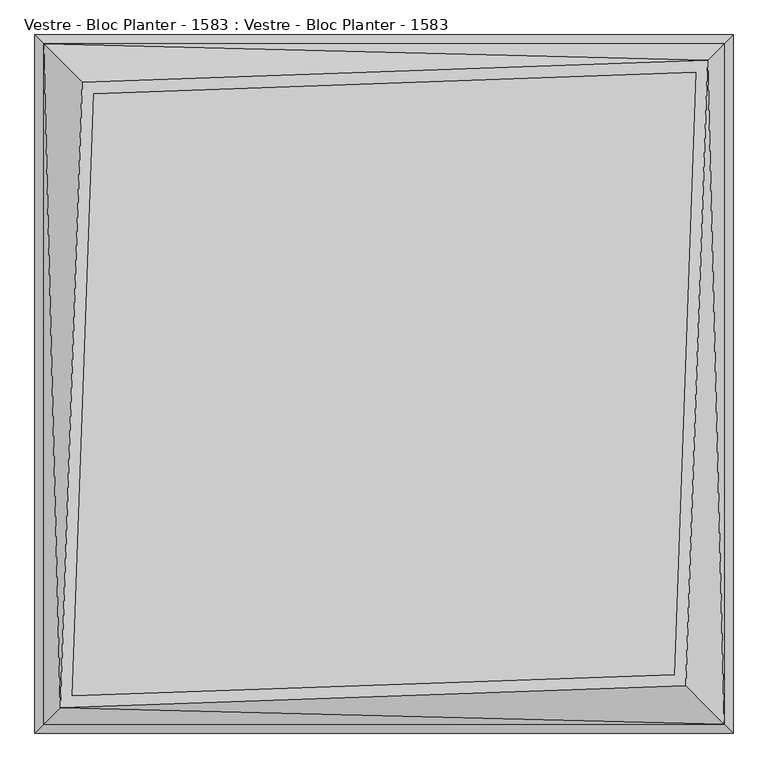
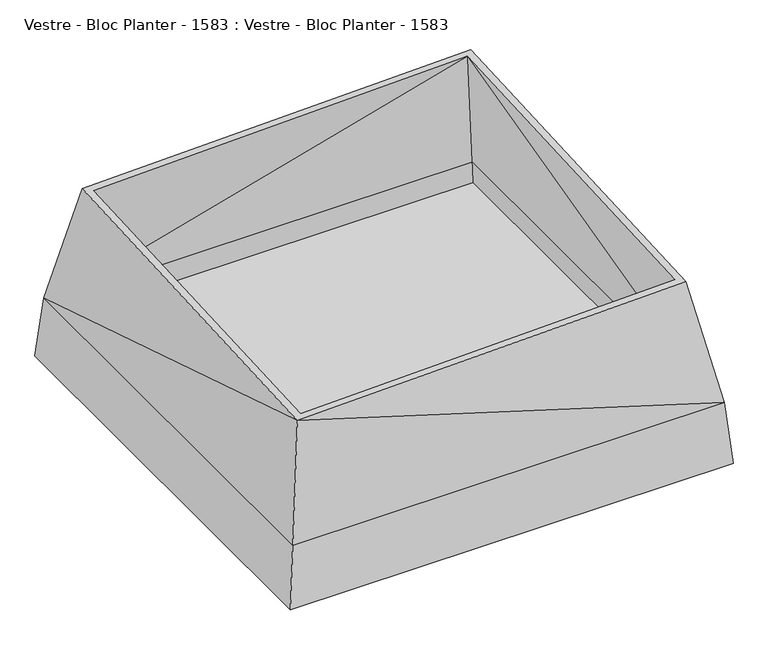
"""IFC4 building model written with IfcOpenShell, lengths in millimetres: furniture geometry, Vestre - Bloc Planter - 1583 : Vestre - Bloc Planter - 1583."""

from ifc_helpers import new_model, si_unit, frame, origin, place, context, project, spatial, polyline, circle_curve, source, transform, mapped, element, save
from ifc_brep_helpers import plane_surface, cylinder_surface, revolved_surface, advanced_brep


def vestre_bloc_planter_1583_vestre_bloc_planter_1583_9f91be68(model_context):
    return source(origin(), model_context, "Body", "AdvancedBrep", [
        advanced_brep(
        [(434.1081092, 504.8805791, 16.0), (435.5071225, 506.2795924, 17.9785036), (435.5071225, 506.2795924, 40.0), (446.820831, 517.5933009, 40.0), (446.820831, 517.5933009, 17.9982774), (434.094127, 504.8665969, 0.0), (364.7964444, 435.5689142, 0.0), (364.7964444, 435.5689142, 16.0), (504.8187873, 434.1699009, 16.0), (435.5071225, 364.8582361, 16.0), (435.5071225, 364.8582361, 0.0), (504.8048051, 434.1559187, 0.0), (517.5315091, 446.8826227, 17.9982774), (517.5315091, 446.8826227, 40.0), (506.2178006, 435.5689142, 40.0), (506.2178006, 435.5689142, 17.9785036), (580.0, 361.7867149, 40.0), (572.6056338, 369.181081, 124.0), (475.2520406, 466.5346743, 124.0), (466.5960126, 475.1907023, 124.0), (369.181081, 572.6056338, 124.0), (361.7867149, 580.0, 40.0), (384.4141318, 580.0, 40.0), (391.808498, 572.6056338, 124.0), (572.6056338, 391.808498, 124.0), (580.0, 384.4141318, 40.0), (475.2520406, 475.1907023, 124.0), (-600.0, -600.0, 40.0), (-600.0, 600.0, 40.0), (600.0, 600.0, 40.0), (600.0, -600.0, 40.0), (-361.7867149, 580.0, 40.0), (-435.5071225, 506.2795924, 40.0), (-446.820831, 517.5933009, 40.0), (-384.4141318, 580.0, 40.0), (-580.0, 580.0, 40.0), (-580.0, 384.4141318, 40.0), (-517.5315091, 446.8826227, 40.0), (-506.2178006, 435.5689142, 40.0), (-580.0, 361.7867149, 40.0), (-580.0, -361.7867149, 40.0), (-506.2178006, -435.5689142, 40.0), (-517.5315091, -446.8826227, 40.0), (-580.0, -384.4141318, 40.0), (-580.0, -580.0, 40.0), (-384.4141318, -580.0, 40.0), (-446.820831, -517.5933009, 40.0), (-435.5071225, -506.2795924, 40.0), (-361.7867149, -580.0, 40.0), (361.7867149, -580.0, 40.0), (435.5071225, -506.2795924, 40.0), (446.820831, -517.5933009, 40.0), (384.4141318, -580.0, 40.0), (580.0, -580.0, 40.0), (580.0, -384.4141318, 40.0), (517.5315091, -446.8826227, 40.0), (506.2178006, -435.5689142, 40.0), (580.0, -361.7867149, 40.0), (580.0, 580.0, 40.0), (572.6056338, -369.181081, 124.0), (475.2520406, -466.5346743, 124.0), (-466.5960126, 475.1907023, 124.0), (-369.181081, 572.6056338, 124.0), (572.6056338, 572.6056338, 124.0), (-572.6056338, -391.808498, 124.0), (-391.808498, -572.6056338, 124.0), (-572.6056338, -572.6056338, 124.0), (-475.2511336, -466.5355812, 124.0), (-572.6056338, -369.181081, 124.0), (-572.6056338, 369.181081, 124.0), (-475.2511336, 466.5355812, 124.0), (-369.181081, -572.6056338, 124.0), (-466.4742429, -475.3124719, 124.0), (466.4742429, -475.3124719, 124.0), (369.181081, -572.6056338, 124.0), (572.6056338, -391.808498, 124.0), (572.6056338, -572.6056338, 124.0), (391.808498, -572.6056338, 124.0), (-572.6056338, 391.808498, 124.0), (-572.6056338, 572.6056338, 124.0), (-391.808498, 572.6056338, 124.0), (475.2520406, 475.1907023, 140.0), (475.2520406, -475.3124719, 124.0), (475.2520406, -475.3124719, 140.0), (-475.2511336, -475.3124719, 124.0), (-475.2511336, -475.3124719, 140.0), (-475.2511336, 475.1907023, 124.0), (-475.2511336, 475.1907023, 140.0), (-435.5071225, -506.2795924, 17.9785036), (-434.1081092, -504.8805791, 16.0), (-504.8187873, -434.1699009, 16.0), (-506.2178006, -435.5689142, 17.9785036), (-364.7964444, -435.5689142, 16.0), (-435.5071225, -364.8582361, 16.0), (-364.7964444, -435.5689142, 0.0), (-435.5071225, -364.8582361, 0.0), (-434.094127, -504.8665969, 0.0), (-504.8048051, -434.1559187, 0.0), (-446.820831, -517.5933009, 17.9982774), (-517.5315091, -446.8826227, 17.9982774), (556.2556682, 556.2556682, 541.3944919), (585.0, -585.0, 210.4915996), (585.0078973, 585.0, 210.400686), (-556.2556682, -556.2556682, 541.3944919), (-585.0078422, -585.0078422, 210.4013211), (-585.0, 585.0, 210.4915996), (565.0, 564.9999992, 210.4000087), (-565.0, 564.9999992, 210.4000087), (-570.6690141, 570.6690141, 146.0), (570.6690141, 570.6690141, 146.0), (564.9999992, -565.0, 210.4000086), (570.6690141, -570.6690141, 146.0), (-565.0, -564.9999992, 210.4000085), (-570.6690141, -570.6690141, 146.0), (535.5167246, 535.5137792, 541.3944919), (-499.2680244, 499.1138865, 541.3944919), (499.2600051, -499.3840578, 541.3944919), (-535.5168874, -535.5192632, 541.3944919), (-518.6029813, 518.4461242, 541.3944919), (518.5948206, -518.7210621, 541.3944919), (446.820831, -517.5933009, 17.9982774), (517.5315091, -446.8826227, 17.9982774), (506.2178006, -435.5689142, 17.9785036), (435.5071225, -506.2795924, 17.9785036), (-446.820831, 517.5933009, 17.9982774), (-517.5315091, 446.8826227, 17.9982774), (-506.2178006, 435.5689142, 17.9785036), (-435.5071225, 506.2795924, 17.9785036), (434.1081092, -504.8805791, 16.0), (364.7964444, -435.5689142, 16.0), (364.7964444, -435.5689142, 0.0), (434.094127, -504.8665969, 0.0), (504.8187873, -434.1699009, 16.0), (504.8048051, -434.1559187, 0.0), (435.5071225, -364.8582361, 0.0), (435.5071225, -364.8582361, 16.0), (-434.1081092, 504.8805791, 16.0), (-364.7964444, 435.5689142, 16.0), (-364.7964444, 435.5689142, 0.0), (-434.094127, 504.8665969, 0.0), (-504.8187873, 434.1699009, 16.0), (-504.8048051, 434.1559187, 0.0), (-435.5071225, 364.8582361, 0.0), (-435.5071225, 364.8582361, 16.0)],
        [
            (0, 1, circle_curve(frame((434.1081092, 504.8805791, 17.9785036), z_axis=(0.7071067811863656, -0.7071067811867294, 0.0), x_axis=(0.0, 0.0, 1.0)), 1.9785036)),
            (1, 2),
            (2, 3),
            (3, 4),
            (4, 5, circle_curve(frame((434.094127, 504.8665969, 17.9982774), z_axis=(-0.7071067811863656, 0.7071067811867294, 0.0), x_axis=(0.0, 0.0, 1.0)), 17.9982774)),
            (5, 6),
            (6, 7),
            (7, 0),
            (8, 9),
            (9, 10),
            (10, 11),
            (11, 12, circle_curve(frame((504.8048051, 434.1559187, 17.9982774), z_axis=(0.7071067811863656, -0.7071067811867294, 0.0), x_axis=(0.0, 0.0, 1.0)), 17.9982774)),
            (12, 13),
            (13, 14),
            (14, 15),
            (15, 8, circle_curve(frame((504.8187873, 434.1699009, 17.9785036), z_axis=(-0.7071067811863656, 0.7071067811867294, 0.0), x_axis=(0.0, 0.0, 1.0)), 1.9785036)),
            (0, 8),
            (15, 1),
            (14, 16),
            (16, 17),
            (17, 18),
            (18, 19),
            (19, 20),
            (20, 21),
            (21, 2),
            (3, 22),
            (22, 23),
            (23, 24),
            (24, 25),
            (25, 13),
            (12, 4),
            (11, 5),
            (10, 6),
            (9, 7),
            (18, 26),
            (26, 19),
            (27, 28),
            (28, 29),
            (29, 30),
            (30, 27),
            (21, 31),
            (31, 32),
            (32, 33),
            (33, 34),
            (34, 35),
            (35, 36),
            (36, 37),
            (37, 38),
            (38, 39),
            (39, 40),
            (40, 41),
            (41, 42),
            (42, 43),
            (43, 44),
            (44, 45),
            (45, 46),
            (46, 47),
            (47, 48),
            (48, 49),
            (49, 50),
            (50, 51),
            (51, 52),
            (52, 53),
            (53, 54),
            (54, 55),
            (55, 56),
            (56, 57),
            (57, 16),
            (25, 58),
            (58, 22),
            (17, 59),
            (59, 60),
            (60, 18),
            (19, 61),
            (61, 62),
            (62, 20),
            (23, 63),
            (63, 24),
            (64, 65),
            (65, 66),
            (66, 64),
            (67, 68),
            (68, 69),
            (69, 70),
            (70, 67),
            (71, 72),
            (72, 73),
            (73, 74),
            (74, 71),
            (75, 76),
            (76, 77),
            (77, 75),
            (78, 79),
            (79, 80),
            (80, 78),
            (81, 26),
            (60, 82),
            (82, 83),
            (83, 81),
            (82, 73),
            (72, 84),
            (84, 85),
            (85, 83),
            (84, 67),
            (70, 86),
            (86, 87),
            (87, 85),
            (81, 87),
            (86, 61),
            (88, 89, circle_curve(frame((-434.1081092, -504.8805791, 17.9785036), z_axis=(0.7071067811863656, -0.7071067811867294, 0.0), x_axis=(0.0, 0.0, 1.0)), 1.9785036)),
            (89, 90),
            (90, 91, circle_curve(frame((-504.8187873, -434.1699009, 17.9785036), z_axis=(-0.7071067811863656, 0.7071067811867294, 0.0), x_axis=(0.0, 0.0, 1.0)), 1.9785036)),
            (91, 88),
            (89, 92),
            (92, 93),
            (93, 90),
            (92, 94),
            (94, 95),
            (95, 93),
            (94, 96),
            (96, 97),
            (97, 95),
            (96, 98, circle_curve(frame((-434.094127, -504.8665969, 17.9982774), z_axis=(-0.7071067811863656, 0.7071067811867294, 0.0), x_axis=(0.0, 0.0, 1.0)), 17.9982774)),
            (98, 99),
            (99, 97, circle_curve(frame((-504.8048051, -434.1559187, 17.9982774), z_axis=(0.7071067811863656, -0.7071067811867294, 0.0), x_axis=(0.0, 0.0, 1.0)), 17.9982774)),
            (99, 42),
            (41, 91),
            (88, 47),
            (46, 98),
            (45, 65),
            (64, 43),
            (40, 68),
            (67, 72),
            (71, 48),
            (100, 101),
            (101, 102),
            (102, 100),
            (101, 103),
            (103, 104),
            (104, 101),
            (103, 105),
            (105, 104),
            (102, 105),
            (105, 100),
            (62, 31),
            (58, 63),
            (106, 107),
            (107, 108),
            (108, 109),
            (109, 106),
            (79, 35),
            (34, 80),
            (57, 59),
            (110, 106),
            (109, 111),
            (111, 110),
            (53, 76),
            (75, 54),
            (44, 66),
            (74, 49),
            (52, 77),
            (112, 110),
            (111, 113),
            (113, 112),
            (39, 69),
            (78, 36),
            (107, 112),
            (113, 108),
            (110, 114),
            (114, 106),
            (107, 114),
            (114, 115),
            (115, 107),
            (110, 116),
            (116, 114),
            (112, 117),
            (117, 110),
            (107, 117),
            (117, 116),
            (115, 117),
            (103, 118),
            (118, 105),
            (118, 100),
            (100, 119),
            (119, 101),
            (119, 103),
            (105, 28),
            (27, 104),
            (102, 29),
            (101, 30),
            (60, 73),
            (51, 120),
            (120, 121),
            (121, 55),
            (56, 122),
            (122, 123),
            (123, 50),
            (70, 61),
            (33, 124),
            (124, 125),
            (125, 37),
            (38, 126),
            (126, 127),
            (127, 32),
            (128, 129),
            (129, 130),
            (130, 131),
            (131, 120, circle_curve(frame((434.094127, -504.8665969, 17.9982774), z_axis=(-0.7071067811863656, -0.7071067811867294, 0.0), x_axis=(0.0, 0.0, 1.0)), 17.9982774)),
            (123, 128, circle_curve(frame((434.1081092, -504.8805791, 17.9785036), z_axis=(0.7071067811863656, 0.7071067811867294, 0.0), x_axis=(0.0, 0.0, 1.0)), 1.9785036)),
            (132, 122, circle_curve(frame((504.8187873, -434.1699009, 17.9785036), z_axis=(-0.7071067811863656, -0.7071067811867294, 0.0), x_axis=(0.0, 0.0, 1.0)), 1.9785036)),
            (121, 133, circle_curve(frame((504.8048051, -434.1559187, 17.9982774), z_axis=(0.7071067811863656, 0.7071067811867294, 0.0), x_axis=(0.0, 0.0, 1.0)), 17.9982774)),
            (133, 134),
            (134, 135),
            (135, 132),
            (132, 128),
            (131, 133),
            (130, 134),
            (129, 135),
            (136, 137),
            (137, 138),
            (138, 139),
            (139, 124, circle_curve(frame((-434.094127, 504.8665969, 17.9982774), z_axis=(0.7071067811863656, 0.7071067811867294, 0.0), x_axis=(0.0, 0.0, 1.0)), 17.9982774)),
            (127, 136, circle_curve(frame((-434.1081092, 504.8805791, 17.9785036), z_axis=(-0.7071067811863656, -0.7071067811867294, 0.0), x_axis=(0.0, 0.0, 1.0)), 1.9785036)),
            (140, 126, circle_curve(frame((-504.8187873, 434.1699009, 17.9785036), z_axis=(0.7071067811863656, 0.7071067811867294, 0.0), x_axis=(0.0, 0.0, 1.0)), 1.9785036)),
            (125, 141, circle_curve(frame((-504.8048051, 434.1559187, 17.9982774), z_axis=(-0.7071067811863656, -0.7071067811867294, 0.0), x_axis=(0.0, 0.0, 1.0)), 17.9982774)),
            (141, 142),
            (142, 143),
            (143, 140),
            (140, 136),
            (139, 141),
            (138, 142),
            (137, 143),
        ],
        [
            plane_surface(frame((434.1081092, 504.8805791, 19.9570072), z_axis=(-0.7071067811863656, 0.7071067811867294, 0.0), x_axis=(-0.7071067811867294, -0.7071067811863656, 0.0))),
            plane_surface(frame((504.8187873, 434.1699009, 19.9570072), z_axis=(0.7071067811863656, -0.7071067811867294, 0.0), x_axis=(0.7071067811867294, 0.7071067811863656, 0.0))),
            revolved_surface(polyline([(504.8187873, 434.1699009, 19.9570072), (434.1081091500178, 504.8805790500186, 19.9570072)]), (504.8187873, 434.1699009, 17.9785036), (0.7071067811863656, -0.7071067811867294, 0.0)),
            plane_surface(frame((435.5071225, 506.2795924, 17.9785036), z_axis=(-0.7071067811867295, -0.7071067811863655, 0.0), x_axis=(0.7071067811863655, -0.7071067811867295, 0.0))),
            plane_surface(frame((446.820831, 517.5933009, 40.0), z_axis=(0.7071067811867295, 0.7071067811863655, 0.0), x_axis=(0.7071067811863655, -0.7071067811867295, 0.0))),
            cylinder_surface(frame((504.8048051, 434.1559187, 17.9982774), z_axis=(-0.7071067811863656, 0.7071067811867294, 0.0), x_axis=(0.0, 0.0, 1.0)), 17.9982774),
            plane_surface(frame((434.094127, 504.8665969, 0.0), z_axis=(0.0, 0.0, -1.0), x_axis=(0.7071067811863655, -0.7071067811867295, 0.0))),
            plane_surface(frame((364.7964444, 435.5689142, 0.0), z_axis=(-0.7071067811867295, -0.7071067811863655, 0.0), x_axis=(0.7071067811863655, -0.7071067811867295, 0.0))),
            plane_surface(frame((364.7964444, 435.5689142, 16.0), z_axis=(0.0, 0.0, 1.0), x_axis=(0.7071067811863655, -0.7071067811867295, 0.0))),
            plane_surface(frame((580.0, 384.4141318, 124.0), z_axis=(0.0, 0.0, 1.0), x_axis=(-0.7071067811865459, 0.7071067811865491, 0.0))),
            plane_surface(frame((580.0, 384.4141318, 40.0), z_axis=(0.0, 0.0, -1.0), x_axis=(0.7071067811865459, -0.7071067811865491, 0.0))),
            plane_surface(frame((475.2520406, 475.1907023, 124.0), z_axis=(0.0, 0.0, -1.0), x_axis=(0.0, 1.0, 0.0))),
            plane_surface(frame((475.2520406, 475.1907023, 140.0), z_axis=(-1.0, 0.0, 0.0), x_axis=(0.0, 0.0, -1.0))),
            plane_surface(frame((475.2520406, -475.3124719, 140.0), z_axis=(0.0, 1.0, 0.0), x_axis=(0.0, 0.0, -1.0))),
            plane_surface(frame((-475.2511336, -475.3124719, 140.0), z_axis=(1.0, 0.0, 0.0), x_axis=(0.0, 0.0, -1.0))),
            plane_surface(frame((-475.2511336, 475.1907023, 140.0), z_axis=(0.0, -1.0, 0.0), x_axis=(0.0, 0.0, -1.0))),
            revolved_surface(polyline([(-504.8187873, -434.1699009, 19.9570072), (-434.1081091500178, -504.8805790500186, 19.9570072)]), (-504.8187873, -434.1699009, 17.9785036), (-0.7071067811863657, 0.7071067811867295, 0.0)),
            plane_surface(frame((-364.7964444, -435.5689142, 16.0), z_axis=(0.0, 0.0, 1.0000000000000002), x_axis=(-0.7071067811863658, 0.7071067811867293, 0.0))),
            plane_surface(frame((-364.7964444, -435.5689142, 0.0), z_axis=(0.7071067811867296, 0.7071067811863655, 0.0), x_axis=(-0.7071067811863655, 0.7071067811867296, 0.0))),
            plane_surface(frame((-434.094127, -504.8665969, 0.0), z_axis=(0.0, 0.0, -1.0000000000000002), x_axis=(-0.7071067811863655, 0.7071067811867296, 0.0))),
            cylinder_surface(frame((-504.8048051, -434.1559187, 17.9982774), z_axis=(0.7071067811863657, -0.7071067811867295, 0.0), x_axis=(0.0, 0.0, 1.0)), 17.9982774),
            plane_surface(frame((-504.8048051, -434.1559187, 35.9965548), z_axis=(-0.7071067811863656, 0.7071067811867294, 0.0), x_axis=(0.7071067811867294, 0.7071067811863656, 0.0))),
            plane_surface(frame((-434.094127, -504.8665969, 35.9965548), z_axis=(0.7071067811863656, -0.7071067811867294, 0.0), x_axis=(-0.7071067811867294, -0.7071067811863656, 0.0))),
            plane_surface(frame((-583.9177279, -380.4964039, 124.0), z_axis=(-0.7071067811865542, -0.7071067811865409, 0.0), x_axis=(0.0, 0.0, -1.0))),
            plane_surface(frame((-357.7253766, -584.0613383, 124.0), z_axis=(0.7071067811865536, 0.7071067811865416, 0.0), x_axis=(0.0, 0.0, -1.0))),
            plane_surface(frame((-357.7253766, -584.0613383, 124.0), z_axis=(0.0, 0.0, 1.0), x_axis=(0.999993509692954, -0.0036028560848389473, 0.0))),
            plane_surface(frame((585.0, 0.0, 210.4915996), z_axis=(0.9962483358091488, 0.0, 0.08654047259809469), x_axis=(0.0, 1.0, 0.0))),
            plane_surface(frame((0.0, -585.0, 210.4915996), z_axis=(0.0, -0.9962483358091565, 0.08654047259800551), x_axis=(1.0, 0.0, 0.0))),
            plane_surface(frame((-585.0, 0.0, 210.4915996), z_axis=(-0.9962483358091578, 0.0, 0.08654047259799116), x_axis=(0.0, -1.0, 0.0))),
            plane_surface(frame((0.0, 585.0, 210.4915996), z_axis=(0.0, 0.996248335809155, 0.08654047259802371), x_axis=(-1.0, 0.0, 0.0))),
            plane_surface(frame((0.0, 580.0, 40.0), z_axis=(0.0, -0.996147893688272, -0.08768907514861532), x_axis=(-1.0, 0.0, 0.0))),
            plane_surface(frame((580.0, 0.0, 40.0), z_axis=(-0.996147893688272, 0.0, -0.08768907514861532), x_axis=(0.0, 1.0, 0.0))),
            plane_surface(frame((0.0, -580.0, 40.0), z_axis=(0.0, 0.9961478936882717, -0.08768907514861608), x_axis=(1.0, 0.0, 0.0))),
            plane_surface(frame((-580.0, 0.0, 40.0), z_axis=(0.996147893688272, 0.0, -0.08768907514861532), x_axis=(0.0, -1.0, 0.0))),
            plane_surface(frame((565.0, 0.0, 210.4915996), z_axis=(-0.9960541198327189, 0.0, -0.08874790343589993), x_axis=(0.0, 1.0, 0.0))),
            plane_surface(frame((-565.0, 565.0, 210.4915996), z_axis=(0.03443177463404438, -0.9788346233479017, -0.2017355522235041), x_axis=(-0.9993818877318187, -0.035154551249968906, 0.0))),
            plane_surface(frame((565.0, -565.0, 210.4915996), z_axis=(-0.9789323947436813, 0.03429602027575473, -0.20128375372753354), x_axis=(0.03501262451242775, 0.9993868700982377, 0.0))),
            plane_surface(frame((0.0, -565.0, 210.4915996), z_axis=(0.0, 0.9960547952839441, -0.08874032224338829), x_axis=(1.0, 0.0, 0.0))),
            plane_surface(frame((-565.0, 0.0, 210.4915996), z_axis=(0.996054163145077, 0.0, -0.08874741732219783), x_axis=(0.0, -1.0, 0.0))),
            plane_surface(frame((565.0, -565.0, 210.4915996), z_axis=(-0.034187788718858046, 0.979010176936022, -0.20092353908443397), x_axis=(0.9993908270190959, 0.03489949670250104, 0.0))),
            plane_surface(frame((-565.0, 565.0, 210.4915996), z_axis=(0.9789314542431133, -0.034297327693142074, -0.201288104980331), x_axis=(-0.035013991209692535, -0.9993868222162866, 0.0))),
            plane_surface(frame((0.0, 565.0, 210.4915996), z_axis=(0.0, -0.9960533360535415, -0.08875669967169136), x_axis=(-1.0, 0.0, 0.0))),
            plane_surface(frame((-585.0, 585.0, 210.4915996), z_axis=(-0.9785283564043936, 0.03428320496921996, 0.20324103318364276), x_axis=(-0.03501399120969255, -0.9993868222162866, 0.0))),
            plane_surface(frame((-585.0, 585.0, 210.4915996), z_axis=(-0.03441751028806573, 0.9784291131506576, 0.20369561979774825), x_axis=(-0.9993818877318187, -0.035154551249968906, 0.0))),
            plane_surface(frame((585.0, -585.0, 210.4915996), z_axis=(0.9785293203340363, -0.0342818989245766, 0.203236612480956), x_axis=(0.03501262451242776, 0.9993868700982377, 0.0))),
            plane_surface(frame((585.0, -585.0, 210.4915996), z_axis=(0.03417378071062205, -0.9786090400641869, 0.20287064700590252), x_axis=(0.9993908270190959, 0.03489949670250104, 0.0))),
            plane_surface(frame((-0.0020402, -0.0687345, 541.3944919), z_axis=(0.0, 0.0, 1.0), x_axis=(0.03501262451242776, 0.9993868700982377, 0.0))),
            plane_surface(frame((-600.0, 0.0, 40.0), z_axis=(-0.996147893688272, 0.0, 0.08768907514861532), x_axis=(0.0, -1.0, 0.0))),
            plane_surface(frame((0.0, 600.0, 40.0), z_axis=(0.0, 0.996147893688272, 0.08768907514861532), x_axis=(-1.0, 0.0, 0.0))),
            plane_surface(frame((600.0, 0.0, 40.0), z_axis=(0.996147893688272, 0.0, 0.08768907514861532), x_axis=(0.0, 1.0, 0.0))),
            plane_surface(frame((0.0, -600.0, 40.0), z_axis=(0.0, -0.9961478936882717, 0.08768907514861608), x_axis=(1.0, 0.0, 0.0))),
            plane_surface(frame((580.0, -361.7867149, 124.0), z_axis=(0.0, 0.0, 1.0), x_axis=(0.0, 1.0, 0.0))),
            plane_surface(frame((384.4141318, -580.0, 124.0), z_axis=(0.7071067811865491, -0.7071067811865459, 0.0), x_axis=(0.0, 0.0, -1.0))),
            plane_surface(frame((580.0, -361.7867149, 124.0), z_axis=(-0.707106781186549, 0.7071067811865461, 0.0), x_axis=(0.0, 0.0, -1.0))),
            plane_surface(frame((-580.0, 361.7867149, 124.0), z_axis=(0.0, 0.0, 1.0), x_axis=(0.0, -1.0, 0.0))),
            plane_surface(frame((-384.4141318, 580.0, 124.0), z_axis=(-0.7071067811865491, 0.7071067811865459, 0.0), x_axis=(0.0, 0.0, -1.0))),
            plane_surface(frame((-580.0, 361.7867149, 124.0), z_axis=(0.707106781186549, -0.7071067811865461, 0.0), x_axis=(0.0, 0.0, -1.0))),
            plane_surface(frame((364.7964444, -435.5689142, 16.0), z_axis=(-0.7071067811863656, -0.7071067811867294, 0.0), x_axis=(-0.7071067811867294, 0.7071067811863656, 0.0))),
            plane_surface(frame((435.5071225, -364.8582361, 16.0), z_axis=(0.7071067811863656, 0.7071067811867294, 0.0), x_axis=(0.7071067811867294, -0.7071067811863656, 0.0))),
            revolved_surface(polyline([(504.8187873, -434.1699009, 19.9570072), (434.1081091500178, -504.8805790500186, 19.9570072)]), (504.8187873, -434.1699009, 17.9785036), (0.7071067811863656, 0.7071067811867294, 0.0)),
            cylinder_surface(frame((504.8048051, -434.1559187, 17.9982774), z_axis=(-0.7071067811863656, -0.7071067811867294, 0.0), x_axis=(0.0, 0.0, 1.0)), 17.9982774),
            plane_surface(frame((364.7964444, -435.5689142, 0.0), z_axis=(0.0, 0.0, -1.0), x_axis=(0.7071067811863655, 0.7071067811867295, 0.0))),
            plane_surface(frame((364.7964444, -435.5689142, 16.0), z_axis=(-0.7071067811867295, 0.7071067811863655, 0.0), x_axis=(0.7071067811863655, 0.7071067811867295, 0.0))),
            plane_surface(frame((434.1081092, -504.8805791, 16.0), z_axis=(0.0, 0.0, 1.0), x_axis=(0.7071067811863655, 0.7071067811867295, 0.0))),
            plane_surface(frame((-364.7964444, 435.5689142, 16.0), z_axis=(0.7071067811863656, 0.7071067811867294, 0.0), x_axis=(0.7071067811867294, -0.7071067811863656, 0.0))),
            plane_surface(frame((-435.5071225, 364.8582361, 16.0), z_axis=(-0.7071067811863656, -0.7071067811867294, 0.0), x_axis=(-0.7071067811867294, 0.7071067811863656, 0.0))),
            revolved_surface(polyline([(-504.8187873, 434.1699009, 19.9570072), (-434.1081091500178, 504.8805790500186, 19.9570072)]), (-504.8187873, 434.1699009, 17.9785036), (-0.7071067811863656, -0.7071067811867294, 0.0)),
            cylinder_surface(frame((-504.8048051, 434.1559187, 17.9982774), z_axis=(0.7071067811863656, 0.7071067811867294, 0.0), x_axis=(0.0, 0.0, 1.0)), 17.9982774),
            plane_surface(frame((-364.7964444, 435.5689142, 0.0), z_axis=(0.0, 0.0, -1.0), x_axis=(-0.7071067811863655, -0.7071067811867295, 0.0))),
            plane_surface(frame((-364.7964444, 435.5689142, 16.0), z_axis=(0.7071067811867295, -0.7071067811863655, 0.0), x_axis=(-0.7071067811863655, -0.7071067811867295, 0.0))),
            plane_surface(frame((-434.1081092, 504.8805791, 16.0), z_axis=(0.0, 0.0, 1.0), x_axis=(-0.7071067811863655, -0.7071067811867295, 0.0))),
            plane_surface(frame((-574.9995465, -575.0608848, 146.0), z_axis=(0.0, 0.0, 1.0), x_axis=(1.0, 0.0, 0.0))),
            plane_surface(frame((-574.9995465, -575.0608848, 140.0), z_axis=(0.0, 0.0, -1.0), x_axis=(-1.0, 0.0, 0.0))),
        ],
        [
            (0, [[1, 2, 3, 4, 5, 6, 7, 8]]),
            (1, [[9, 10, 11, 12, 13, 14, 15, 16]]),
            (2, [[-1, 17, -16, 18]]),
            (3, [[-2, -18, -15, 19, 20, 21, 22, 23, 24, 25]]),
            (4, [[-4, 26, 27, 28, 29, 30, -13, 31]]),
            (5, [[-5, -31, -12, 32]]),
            (6, [[-6, -32, -11, 33]]),
            (7, [[-7, -33, -10, 34]]),
            (8, [[-8, -34, -9, -17]]),
            (9, [[-22, 35, 36]]),
            (10, [[37, 38, 39, 40], [-25, 41, 42, 43, 44, 45, 46, 47, 48, 49, 50, 51, 52, 53, 54, 55, 56, 57, 58, 59, 60, 61, 62, 63, 64, 65, 66, 67, 68, -19, -14, -30, 69, 70, -26, -3]]),
            (11, [[-21, 71, 72, 73]]),
            (11, [[-23, 74, 75, 76]]),
            (11, [[-28, 77, 78]]),
            (11, [[79, 80, 81]]),
            (11, [[82, 83, 84, 85]]),
            (11, [[86, 87, 88, 89]]),
            (11, [[90, 91, 92]]),
            (11, [[93, 94, 95]]),
            (12, [[96, -35, -73, 97, 98, 99]]),
            (13, [[-98, 100, -87, 101, 102, 103]]),
            (14, [[-102, 104, -85, 105, 106, 107]]),
            (15, [[-96, 108, -106, 109, -74, -36]]),
            (16, [[110, 111, 112, 113]]),
            (17, [[-111, 114, 115, 116]]),
            (18, [[-115, 117, 118, 119]]),
            (19, [[-118, 120, 121, 122]]),
            (20, [[-121, 123, 124, 125]]),
            (21, [[-112, -116, -119, -122, -125, 126, -52, 127]]),
            (22, [[-110, 128, -57, 129, -123, -120, -117, -114]]),
            (23, [[-124, -129, -56, 130, -79, 131, -53, -126]]),
            (24, [[-113, -127, -51, 132, -82, 133, -86, 134, -58, -128]]),
            (25, [[-133, -104, -101]]),
            (26, [[135, 136, 137]]),
            (27, [[138, 139, 140]]),
            (28, [[-139, 141, 142]]),
            (29, [[-137, 143, 144]]),
            (30, [[-24, -76, 145, -41]]),
            (30, [[-70, 146, -77, -27]]),
            (30, [[147, 148, 149, 150]]),
            (30, [[151, -45, 152, -94]]),
            (31, [[-20, -68, 153, -71]]),
            (31, [[-69, -29, -78, -146]]),
            (31, [[154, -150, 155, 156]]),
            (31, [[157, -90, 158, -64]]),
            (32, [[-130, -55, 159, -80]]),
            (32, [[-134, -89, 160, -59]]),
            (32, [[-157, -63, 161, -91]]),
            (32, [[162, -156, 163, 164]]),
            (33, [[-131, -81, -159, -54]]),
            (33, [[-132, -50, 165, -83]]),
            (33, [[-151, -93, 166, -46]]),
            (33, [[167, -164, 168, -148]]),
            (34, [[-154, 169, 170]]),
            (35, [[171, 172, 173]]),
            (36, [[-169, 174, 175]]),
            (37, [[-162, 176, 177]]),
            (38, [[-167, 178, -176]]),
            (39, [[-174, -177, 179]]),
            (40, [[-173, 180, -178]]),
            (41, [[-147, -170, -171]]),
            (42, [[-141, 181, 182]]),
            (43, [[-144, -182, 183]]),
            (44, [[-135, 184, 185]]),
            (45, [[-138, -185, 186]]),
            (46, [[-181, -186, -184, -183], [-172, -175, -179, -180]]),
            (47, [[-142, 187, -37, 188]]),
            (48, [[-143, 189, -38, -187]]),
            (49, [[-136, 190, -39, -189]]),
            (50, [[-140, -188, -40, -190]]),
            (51, [[191, -100, -97]]),
            (52, [[-92, -161, -62, 192, 193, 194, -65, -158]]),
            (53, [[-191, -72, -153, -67, 195, 196, 197, -60, -160, -88]]),
            (54, [[198, -109, -105]]),
            (55, [[-95, -152, -44, 199, 200, 201, -47, -166]]),
            (56, [[-198, -84, -165, -49, 202, 203, 204, -42, -145, -75]]),
            (57, [[205, 206, 207, 208, -192, -61, -197, 209]]),
            (58, [[210, -195, -66, -194, 211, 212, 213, 214]]),
            (59, [[-209, -196, -210, 215]]),
            (60, [[-208, 216, -211, -193]]),
            (61, [[-207, 217, -212, -216]]),
            (62, [[-206, 218, -213, -217]]),
            (63, [[-205, -215, -214, -218]]),
            (64, [[219, 220, 221, 222, -199, -43, -204, 223]]),
            (65, [[224, -202, -48, -201, 225, 226, 227, 228]]),
            (66, [[-223, -203, -224, 229]]),
            (67, [[-222, 230, -225, -200]]),
            (68, [[-221, 231, -226, -230]]),
            (69, [[-220, 232, -227, -231]]),
            (70, [[-219, -229, -228, -232]]),
            (71, [[-149, -168, -163, -155]]),
            (72, [[-99, -103, -107, -108]]),
        ],
    ),
    ])


if __name__ == "__main__":
    model = new_model("IFC4")
    model_context = context("Model", 3, world=origin())
    ifc_project = project(units=[si_unit("LENGTHUNIT", "METRE", prefix="MILLI")], contexts=[model_context])
    site = spatial("IfcSite", under=ifc_project)
    building = spatial("IfcBuilding", under=site)
    placement = place(None, origin())
    vestre_bloc_planter_1583_vestre_bloc_planter_1583_shape = vestre_bloc_planter_1583_vestre_bloc_planter_1583_9f91be68(model_context)
    element("IfcFurniture", 1, ObjectType="Vestre - Bloc Planter - 1583 : Vestre - Bloc Planter - 1583", at=placement, inside=building, context=model_context, shape_type="MappedRepresentation", body=[
        mapped(vestre_bloc_planter_1583_vestre_bloc_planter_1583_shape, transform((0.0, 0.0, 0.0), x_axis=(1.0, 0.0, 0.0), y_axis=(0.0, 1.0, 0.0), z_axis=(0.0, 0.0, 1.0))),
    ])
    save(model, "model.ifc")
